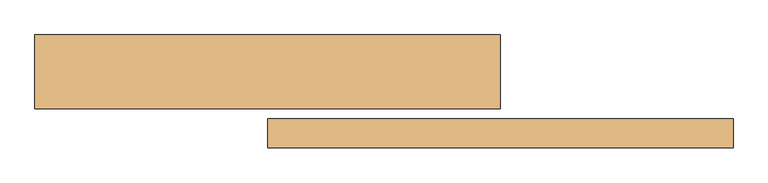
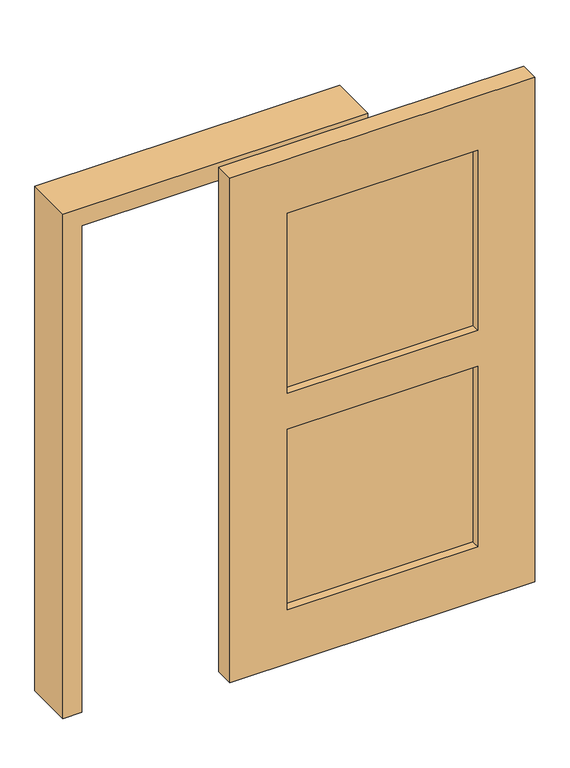
"""IFC4 building model written with IfcOpenShell, lengths in millimetres: door geometry."""

from ifc_helpers import new_model, si_unit, frame, origin, place, context, project, spatial, polyline, outline, extrude, source, transform, mapped, element, save


def door_8e288466(model_context):
    return source(origin(), model_context, "Body", "SweptSolid", [
        extrude(outline(polyline([(990.6, -155.0876379), (990.6, -165.5873621), (228.6, -165.5873621), (228.6, -155.0876379), (990.6, -155.0876379)])), frame((0.0, 0.0, 228.6), z_axis=(0.0, 0.0, 1.0), x_axis=(1.0, 0.0, 0.0)), (0.0, 0.0, 1.0), 762.0),
        extrude(outline(polyline([(990.6, -155.0876379), (990.6, -165.5873621), (228.6, -165.5873621), (228.6, -155.0876379), (990.6, -155.0876379)])), frame((0.0, 0.0, 1143.0), z_axis=(0.0, 0.0, 1.0), x_axis=(1.0, 0.0, 0.0)), (0.0, 0.0, 1.0), 762.0),
        extrude(outline(polyline([(0.0, 1219.1773827), (2133.6, 1219.1773827), (2133.6, 0.0), (0.0, 0.0), (0.0, 1219.1773827)]), holes=[polyline([(228.6, 228.6), (990.6, 228.6), (990.6, 990.6), (228.6, 990.6), (228.6, 228.6)]), polyline([(1905.0, 228.6), (1905.0, 990.6), (1143.0, 990.6), (1143.0, 228.6), (1905.0, 228.6)])]), frame((0.0, -198.4375, 0.0), z_axis=(0.0, 1.0, 0.0), x_axis=(0.0, 0.0, 1.0)), (0.0, 0.0, 1.0), 76.2),
        extrude(outline(polyline([(2057.4, -533.4), (2057.4, 533.4), (0.0, 533.4), (0.0, 609.6), (2133.6, 609.6), (2133.6, -609.6), (0.0, -609.6), (0.0, -533.4), (2057.4, -533.4)])), frame((0.0, -96.8375, 0.0), z_axis=(0.0, 1.0, 0.0), x_axis=(0.0, 0.0, 1.0)), (0.0, 0.0, 1.0), 193.675),
    ])


if __name__ == "__main__":
    model = new_model("IFC4")
    model_context = context("Model", 3, world=origin())
    ifc_project = project(units=[si_unit("LENGTHUNIT", "METRE", prefix="MILLI")], contexts=[model_context])
    site = spatial("IfcSite", under=ifc_project)
    building = spatial("IfcBuilding", under=site)
    placement = place(None, origin())
    door_shape = door_8e288466(model_context)
    element("IfcDoor", 1, at=placement, inside=building, context=model_context, shape_type="MappedRepresentation", body=[
        mapped(door_shape, transform((0.0, 0.0, 0.0), x_axis=(1.0, 0.0, 0.0), y_axis=(0.0, 1.0, 0.0), z_axis=(0.0, 0.0, 1.0))),
    ])
    save(model, "model.ifc")
